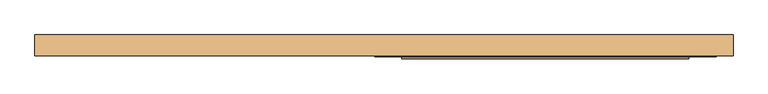
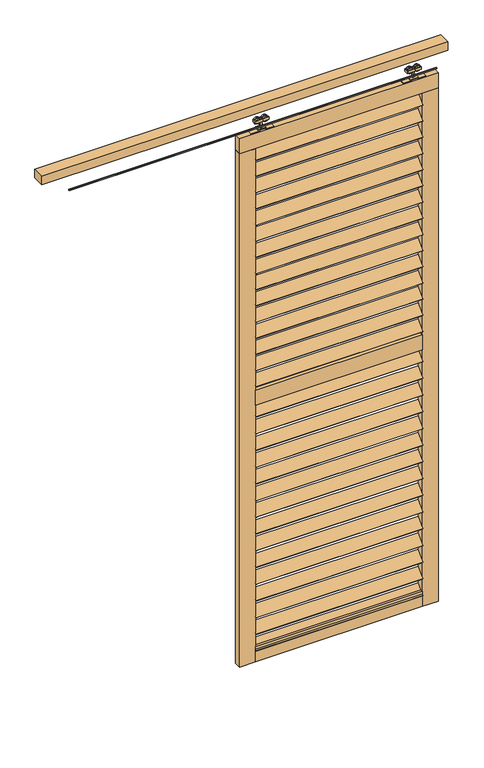
"""IFC4 building model written with IfcOpenShell, lengths in millimetres: door geometry."""

import ifcopenshell
import ifcopenshell.guid

model = None  # the IFC model being written
_history = None  # IfcOwnerHistory: only IFC2X3 demands one
_inside = {}  # id of a spatial element -> (the spatial element, [elements in it])
_under = {}  # id of a project, library or spatial element -> (it, [spatial elements below it])
_declared = {}  # id of a project -> (the project, [libraries it declares])
_typed = {}  # id of a type object -> (the type object, [elements of that type])
_made_of = {}  # id of a material, layer set ... -> (it, [elements and type objects made of it])


def new_model(schema):
    """Start an empty IFC model of exactly this schema.

    Asked for "IFC4X3", IfcOpenShell would pick the latest addendum, in which some entities
    have other attributes; the version numbers below select the first issue.
    IFC2X3 requires an IfcOwnerHistory on every rooted entity: one is made here for all.
    """
    global model, _history
    if schema == "IFC4X3":
        model = ifcopenshell.file(schema_version=(4, 3, 0, 0))
    else:
        model = ifcopenshell.file(schema=schema)
    _inside.clear()
    _under.clear()
    _declared.clear()
    _typed.clear()
    _made_of.clear()
    _history = None
    if model.schema == "IFC2X3":
        org = make("IfcOrganization", Name="unknown")
        user = make(
            "IfcPersonAndOrganization",
            ThePerson=make("IfcPerson", FamilyName="unknown"),
            TheOrganization=org,
        )
        app = make(
            "IfcApplication",
            ApplicationDeveloper=org,
            Version="unknown",
            ApplicationFullName="unknown",
            ApplicationIdentifier="unknown",
        )
        _history = make(
            "IfcOwnerHistory",
            OwningUser=user,
            OwningApplication=app,
            ChangeAction="ADDED",
            CreationDate=0,
        )
    return model


def make(cls, **values):
    """One entity of the class cls with the attributes given. An attribute that is None is left unset."""
    return model.create_entity(
        cls, **{name: value for name, value in values.items() if value is not None}
    )


def rooted(cls, **values):
    """An entity with a GlobalId (a new one), such as an element, a storey or a relation."""
    return make(cls, GlobalId=ifcopenshell.guid.new(), OwnerHistory=_history, **values)


def si_unit(unit_type, name, prefix=None):
    """IfcSIUnit, for example si_unit("LENGTHUNIT", "METRE", prefix="MILLI")."""
    return make("IfcSIUnit", UnitType=unit_type, Prefix=prefix, Name=name)


def assignment(units):
    """IfcUnitAssignment: the units of a project."""
    return None if units is None else make("IfcUnitAssignment", Units=units)


def point(xyz):
    """IfcCartesianPoint."""
    return None if xyz is None else make("IfcCartesianPoint", Coordinates=xyz)


def direction(xyz):
    """IfcDirection."""
    return None if xyz is None else make("IfcDirection", DirectionRatios=xyz)


def frame(location, z_axis=None, x_axis=None):
    """IfcAxis2Placement3D, a coordinate frame: its origin and axes. An axis left out is left unset."""
    return make(
        "IfcAxis2Placement3D",
        Location=point(location),
        Axis=direction(z_axis),
        RefDirection=direction(x_axis),
    )


def frame_2d(location, x_axis=None):
    """IfcAxis2Placement2D, a coordinate frame in the plane: its origin and x axis."""
    return make(
        "IfcAxis2Placement2D", Location=point(location), RefDirection=direction(x_axis)
    )


def origin():
    """The frame at (0, 0, 0) with its axes left unset."""
    return frame((0.0, 0.0, 0.0))


def place(relative_to, where):
    """IfcLocalPlacement: puts the frame where relative to a parent placement (None: the world)."""
    return make(
        "IfcLocalPlacement", PlacementRelTo=relative_to, RelativePlacement=where
    )


def context(
    kind, dimensions, precision=None, world=None, true_north=None, identifier=None
):
    """IfcGeometricRepresentationContext, for example the 3D "Model" context."""
    return make(
        "IfcGeometricRepresentationContext",
        ContextIdentifier=identifier,
        ContextType=kind,
        CoordinateSpaceDimension=dimensions,
        Precision=precision,
        WorldCoordinateSystem=world,
        TrueNorth=true_north,
    )


def project(units=None, contexts=None):
    """IfcProject with its units and contexts."""
    return rooted(
        "IfcProject",
        Name="project",
        RepresentationContexts=contexts,
        UnitsInContext=assignment(units),
    )


def spatial(cls, under=None, at=None, **own):
    """A site, building, storey or space (cls), placed at a placement, below another one or the project."""
    s = rooted(cls, ObjectPlacement=at, **own)
    if under is not None:
        _under.setdefault(under.id(), (under, []))[1].append(s)
    return s


def polyline(points):
    """IfcPolyline through the points."""
    return make("IfcPolyline", Points=[point(p) for p in points])


def circle_curve(where, radius):
    """IfcCircle in the frame where."""
    return make("IfcCircle", Position=where, Radius=radius)


def trimmed(basis, trim1, trim2, sense, master):
    """IfcTrimmedCurve: the piece of a basis curve between two trims."""
    return make(
        "IfcTrimmedCurve",
        BasisCurve=basis,
        Trim1=trim1,
        Trim2=trim2,
        SenseAgreement=sense,
        MasterRepresentation=master,
    )


def segment(curve, same_sense, transition):
    """IfcCompositeCurveSegment."""
    return make(
        "IfcCompositeCurveSegment",
        Transition=transition,
        SameSense=same_sense,
        ParentCurve=curve,
    )


def composite_curve(segments, self_intersect=None):
    """IfcCompositeCurve: segments joined end to end."""
    return make("IfcCompositeCurve", Segments=segments, SelfIntersect=self_intersect)


def outline(outer, holes=None, kind="AREA"):
    """IfcArbitraryClosedProfileDef: a profile drawn as a closed curve; with holes, ...WithVoids."""
    if holes is None:
        return make("IfcArbitraryClosedProfileDef", ProfileType=kind, OuterCurve=outer)
    return make(
        "IfcArbitraryProfileDefWithVoids",
        ProfileType=kind,
        OuterCurve=outer,
        InnerCurves=holes,
    )


def extrude(swept, where, along, depth):
    """IfcExtrudedAreaSolid: the profile swept, set in the frame where, extruded along a direction by depth."""
    return make(
        "IfcExtrudedAreaSolid",
        SweptArea=swept,
        Position=where,
        ExtrudedDirection=direction(along),
        Depth=depth,
    )


def shape(context_of_items, identifier, shape_type, items):
    """IfcShapeRepresentation: the items that make up one representation, for example the "Body"."""
    return make(
        "IfcShapeRepresentation",
        ContextOfItems=context_of_items,
        RepresentationIdentifier=identifier,
        RepresentationType=shape_type,
        Items=items,
    )


def source(mapping_origin, context_of_items, identifier, shape_type, items):
    """IfcRepresentationMap: a shape defined once, which mapped items show again and again."""
    return make(
        "IfcRepresentationMap",
        MappingOrigin=mapping_origin,
        MappedRepresentation=shape(context_of_items, identifier, shape_type, items),
    )


def transform(
    local_origin,
    x_axis=None,
    y_axis=None,
    z_axis=None,
    scale=None,
    scale2=None,
    scale3=None,
    uniform=True,
):
    """IfcCartesianTransformationOperator3D, or its non-uniform kind. x_axis, y_axis, z_axis: its Axis1, 2, 3."""
    if uniform:
        return make(
            "IfcCartesianTransformationOperator3D",
            Axis1=direction(x_axis),
            Axis2=direction(y_axis),
            LocalOrigin=point(local_origin),
            Scale=scale,
            Axis3=direction(z_axis),
        )
    return make(
        "IfcCartesianTransformationOperator3DnonUniform",
        Axis1=direction(x_axis),
        Axis2=direction(y_axis),
        LocalOrigin=point(local_origin),
        Scale=scale,
        Axis3=direction(z_axis),
        Scale2=scale2,
        Scale3=scale3,
    )


def mapped(mapping_source, mapping_target):
    """IfcMappedItem: shows the shape of a source again, moved by a transform."""
    return make(
        "IfcMappedItem", MappingSource=mapping_source, MappingTarget=mapping_target
    )


def made_of(thing, what):
    """Note that an element or type object is made of a material, layer set ...; save() writes the relation."""
    if what is not None:
        _made_of.setdefault(what.id(), (what, []))[1].append(thing)
    return thing


def element(
    cls,
    number,
    at=None,
    inside=None,
    cuts=None,
    type_object=None,
    material=None,
    context=None,
    identifier="Body",
    shape_type=None,
    held_by="IfcProductDefinitionShape",
    body=None,
    shapes=None,
    **own,
):
    """One element of the class cls, such as IfcWall. Its Tag is "e" and its number.

    at: its placement. inside: the storey or other place that contains it. cuts: it is an
    opening in that element (IfcRelVoidsElement). A single representation is given by context,
    identifier, shape_type and body (its items); several are given by shapes. held_by: the class
    of the entity that holds the representations. save() writes the other relations.
    """
    e = rooted(cls, Tag="e%d" % number, ObjectPlacement=at, **own)
    if body is not None:
        shapes = [shape(context, identifier, shape_type, body)]
    if shapes is not None:
        e.Representation = make(held_by, Representations=shapes)
    if inside is not None:
        _inside.setdefault(inside.id(), (inside, []))[1].append(e)
    if cuts is not None:
        rooted(
            "IfcRelVoidsElement", RelatingBuildingElement=cuts, RelatedOpeningElement=e
        )
    if type_object is not None:
        _typed.setdefault(type_object.id(), (type_object, []))[1].append(e)
    return made_of(e, material)


def aggregate(whole, parts):
    """IfcRelAggregates: a whole, such as a stair, and the parts it consists of."""
    return rooted("IfcRelAggregates", RelatingObject=whole, RelatedObjects=parts)


def save(model, path):
    """Write the relations noted so far, then the file.

    IfcRelAggregates (storeys below a building ...), IfcRelContainedInSpatialStructure (elements
    in a storey), IfcRelDefinesByType, IfcRelAssociatesMaterial and IfcRelDeclares: one each for
    every whole, place, type object, material and project.
    """
    for whole, parts in _under.values():
        aggregate(whole, parts)
    for where, things in _inside.values():
        rooted(
            "IfcRelContainedInSpatialStructure",
            RelatedElements=things,
            RelatingStructure=where,
        )
    for kind, things in _typed.values():
        rooted("IfcRelDefinesByType", RelatedObjects=things, RelatingType=kind)
    for what, things in _made_of.values():
        rooted("IfcRelAssociatesMaterial", RelatedObjects=things, RelatingMaterial=what)
    for by, libraries in _declared.values():
        rooted("IfcRelDeclares", RelatingContext=by, RelatedDefinitions=libraries)
    model.write(path)


def door_2e04532c(model_context):
    return source(origin(), model_context, "Body", "SweptSolid", [
        extrude(outline(polyline([(0.0, -5.0), (0.0, 0.0), (840.0, 0.0), (840.0, -5.0), (0.0, -5.0)])), frame((77.5, -24.1880102, 2621.9118868), z_axis=(0.0, 0.7071067811865482, 0.707106781186547), x_axis=(1.0, 0.0, 0.0)), (0.0, 0.0, 1.0), 60.0),
        extrude(outline(polyline([(0.0, -5.0), (0.0, 0.0), (840.0, 0.0), (840.0, -5.0), (0.0, -5.0)])), frame((77.5, -24.1880102, 2535.8047439), z_axis=(0.0, 0.7071067811865482, 0.707106781186547), x_axis=(1.0, 0.0, 0.0)), (0.0, 0.0, 1.0), 60.0),
        extrude(outline(polyline([(0.0, -5.0), (0.0, 0.0), (840.0, 0.0), (840.0, -5.0), (0.0, -5.0)])), frame((77.5, -24.1880102, 2449.697601), z_axis=(0.0, 0.7071067811865482, 0.707106781186547), x_axis=(1.0, 0.0, 0.0)), (0.0, 0.0, 1.0), 60.0),
        extrude(outline(polyline([(0.0, -5.0), (0.0, 0.0), (840.0, 0.0), (840.0, -5.0), (0.0, -5.0)])), frame((77.5, -24.1880102, 2363.5904582), z_axis=(0.0, 0.7071067811865482, 0.707106781186547), x_axis=(1.0, 0.0, 0.0)), (0.0, 0.0, 1.0), 60.0),
        extrude(outline(polyline([(0.0, -5.0), (0.0, 0.0), (840.0, 0.0), (840.0, -5.0), (0.0, -5.0)])), frame((77.5, -24.1880102, 1253.5547439), z_axis=(0.0, 0.7071067811865482, 0.707106781186547), x_axis=(1.0, 0.0, 0.0)), (0.0, 0.0, 1.0), 60.0),
        extrude(outline(polyline([(0.0, -5.0), (0.0, 0.0), (840.0, 0.0), (840.0, -5.0), (0.0, -5.0)])), frame((77.5, -24.1880102, 1164.5904582), z_axis=(0.0, 0.7071067811865482, 0.707106781186547), x_axis=(1.0, 0.0, 0.0)), (0.0, 0.0, 1.0), 60.0),
        extrude(outline(polyline([(0.0, -5.0), (0.0, 0.0), (840.0, 0.0), (840.0, -5.0), (0.0, -5.0)])), frame((77.5, -24.1880102, 1075.6261725), z_axis=(0.0, 0.7071067811865482, 0.707106781186547), x_axis=(1.0, 0.0, 0.0)), (0.0, 0.0, 1.0), 60.0),
        extrude(outline(polyline([(0.0, -5.0), (0.0, 0.0), (840.0, 0.0), (840.0, -5.0), (0.0, -5.0)])), frame((77.5, -24.1880102, 986.6618868), z_axis=(0.0, 0.7071067811865482, 0.707106781186547), x_axis=(1.0, 0.0, 0.0)), (0.0, 0.0, 1.0), 60.0),
        extrude(outline(polyline([(0.0, -5.0), (0.0, 0.0), (840.0, 0.0), (840.0, -5.0), (0.0, -5.0)])), frame((77.5, -24.1880102, 2277.4833153), z_axis=(0.0, 0.7071067811865482, 0.707106781186547), x_axis=(1.0, 0.0, 0.0)), (0.0, 0.0, 1.0), 60.0),
        extrude(outline(polyline([(0.0, -5.0), (0.0, 0.0), (840.0, 0.0), (840.0, -5.0), (0.0, -5.0)])), frame((77.5, -24.1880102, 2191.3761725), z_axis=(0.0, 0.7071067811865482, 0.707106781186547), x_axis=(1.0, 0.0, 0.0)), (0.0, 0.0, 1.0), 60.0),
        extrude(outline(polyline([(0.0, -5.0), (0.0, 0.0), (840.0, 0.0), (840.0, -5.0), (0.0, -5.0)])), frame((77.5, -24.1880102, 2105.2690296), z_axis=(0.0, 0.7071067811865482, 0.707106781186547), x_axis=(1.0, 0.0, 0.0)), (0.0, 0.0, 1.0), 60.0),
        extrude(outline(polyline([(0.0, -5.0), (0.0, 0.0), (840.0, 0.0), (840.0, -5.0), (0.0, -5.0)])), frame((77.5, -24.1880102, 2019.1618868), z_axis=(0.0, 0.7071067811865482, 0.707106781186547), x_axis=(1.0, 0.0, 0.0)), (0.0, 0.0, 1.0), 60.0),
        extrude(outline(polyline([(0.0, -5.0), (0.0, 0.0), (840.0, 0.0), (840.0, -5.0), (0.0, -5.0)])), frame((77.5, -24.1880102, 897.697601), z_axis=(0.0, 0.7071067811865482, 0.707106781186547), x_axis=(1.0, 0.0, 0.0)), (0.0, 0.0, 1.0), 60.0),
        extrude(outline(polyline([(0.0, -5.0), (0.0, 0.0), (840.0, 0.0), (840.0, -5.0), (0.0, -5.0)])), frame((77.5, -24.1880102, 808.7333153), z_axis=(0.0, 0.7071067811865482, 0.707106781186547), x_axis=(1.0, 0.0, 0.0)), (0.0, 0.0, 1.0), 60.0),
        extrude(outline(polyline([(0.0, -5.0), (0.0, 0.0), (840.0, 0.0), (840.0, -5.0), (0.0, -5.0)])), frame((77.5, -24.1880102, 719.7690296), z_axis=(0.0, 0.7071067811865482, 0.707106781186547), x_axis=(1.0, 0.0, 0.0)), (0.0, 0.0, 1.0), 60.0),
        extrude(outline(polyline([(0.0, -5.0), (0.0, 0.0), (840.0, 0.0), (840.0, -5.0), (0.0, -5.0)])), frame((77.5, -24.1880102, 630.8047439), z_axis=(0.0, 0.7071067811865482, 0.707106781186547), x_axis=(1.0, 0.0, 0.0)), (0.0, 0.0, 1.0), 60.0),
        extrude(outline(polyline([(0.0, -5.0), (0.0, 0.0), (840.0, 0.0), (840.0, -5.0), (0.0, -5.0)])), frame((77.5, -24.1880102, 1933.0547439), z_axis=(0.0, 0.7071067811865482, 0.707106781186547), x_axis=(1.0, 0.0, 0.0)), (0.0, 0.0, 1.0), 60.0),
        extrude(outline(polyline([(0.0, -5.0), (0.0, 0.0), (840.0, 0.0), (840.0, -5.0), (0.0, -5.0)])), frame((77.5, -24.1880102, 1846.947601), z_axis=(0.0, 0.7071067811865482, 0.707106781186547), x_axis=(1.0, 0.0, 0.0)), (0.0, 0.0, 1.0), 60.0),
        extrude(outline(polyline([(0.0, -5.0), (0.0, 0.0), (840.0, 0.0), (840.0, -5.0), (0.0, -5.0)])), frame((77.5, -24.1880102, 1760.8404582), z_axis=(0.0, 0.7071067811865482, 0.707106781186547), x_axis=(1.0, 0.0, 0.0)), (0.0, 0.0, 1.0), 60.0),
        extrude(outline(polyline([(0.0, -5.0), (0.0, 0.0), (840.0, 0.0), (840.0, -5.0), (0.0, -5.0)])), frame((77.5, -24.1880102, 1674.7333153), z_axis=(0.0, 0.7071067811865482, 0.707106781186547), x_axis=(1.0, 0.0, 0.0)), (0.0, 0.0, 1.0), 60.0),
        extrude(outline(polyline([(0.0, -5.0), (0.0, 0.0), (840.0, 0.0), (840.0, -5.0), (0.0, -5.0)])), frame((77.5, -24.1880102, 1588.6261725), z_axis=(0.0, 0.7071067811865482, 0.707106781186547), x_axis=(1.0, 0.0, 0.0)), (0.0, 0.0, 1.0), 60.0),
        extrude(outline(polyline([(0.0, -5.0), (0.0, 0.0), (840.0, 0.0), (840.0, -5.0), (0.0, -5.0)])), frame((77.5, -24.1880102, 2708.0190296), z_axis=(0.0, 0.7071067811865482, 0.707106781186547), x_axis=(1.0, 0.0, 0.0)), (0.0, 0.0, 1.0), 60.0),
        extrude(outline(polyline([(0.0, -5.0), (0.0, 0.0), (840.0, 0.0), (840.0, -5.0), (0.0, -5.0)])), frame((77.5, -24.1880102, 1502.5190296), z_axis=(0.0, 0.7071067811865482, 0.707106781186547), x_axis=(1.0, 0.0, 0.0)), (0.0, 0.0, 1.0), 60.0),
        extrude(outline(polyline([(0.0, -5.0), (0.0, 0.0), (840.0, 0.0), (840.0, -5.0), (0.0, -5.0)])), frame((77.5, -24.1880102, 541.8404582), z_axis=(0.0, 0.7071067811865482, 0.707106781186547), x_axis=(1.0, 0.0, 0.0)), (0.0, 0.0, 1.0), 60.0),
        extrude(outline(polyline([(0.0, -5.0), (0.0, 0.0), (840.0, 0.0), (840.0, -5.0), (0.0, -5.0)])), frame((77.5, -24.1880102, 452.8761725), z_axis=(0.0, 0.7071067811865482, 0.707106781186547), x_axis=(1.0, 0.0, 0.0)), (0.0, 0.0, 1.0), 60.0),
        extrude(outline(polyline([(0.0, -5.0), (0.0, 0.0), (840.0, 0.0), (840.0, -5.0), (0.0, -5.0)])), frame((77.5, -24.1880102, 363.9118868), z_axis=(0.0, 0.7071067811865482, 0.707106781186547), x_axis=(1.0, 0.0, 0.0)), (0.0, 0.0, 1.0), 60.0),
        extrude(outline(polyline([(0.0, -5.0), (0.0, 0.0), (840.0, 0.0), (840.0, -5.0), (0.0, -5.0)])), frame((77.5, -24.1880102, 274.947601), z_axis=(0.0, 0.7071067811865482, 0.707106781186547), x_axis=(1.0, 0.0, 0.0)), (0.0, 0.0, 1.0), 60.0),
        extrude(outline(polyline([(0.0, -5.0), (0.0, 0.0), (840.0, 0.0), (840.0, -5.0), (0.0, -5.0)])), frame((77.5, -24.1880102, 185.9833153), z_axis=(0.0, 0.7071067811865482, 0.707106781186547), x_axis=(1.0, 0.0, 0.0)), (0.0, 0.0, 1.0), 60.0),
        extrude(outline(polyline([(0.0, -5.0), (0.0, 0.0), (840.0, 0.0), (840.0, -5.0), (0.0, -5.0)])), frame((77.5, -24.1880102, 1342.5190296), z_axis=(0.0, 0.7071067811865482, 0.707106781186547), x_axis=(1.0, 0.0, 0.0)), (0.0, 0.0, 1.0), 60.0),
        extrude(outline(polyline([(0.0, -5.0), (0.0, 0.0), (840.0, 0.0), (840.0, -5.0), (0.0, -5.0)])), frame((77.5, -24.1880102, 97.0190296), z_axis=(0.0, 0.7071067811865482, 0.707106781186547), x_axis=(1.0, 0.0, 0.0)), (0.0, 0.0, 1.0), 60.0),
        extrude(outline(polyline([(917.5, -22.2425737), (77.5, -22.2425737), (77.5, 12.7574263), (917.5, 12.7574263), (917.5, -22.2425737)])), frame((0.0, 0.0, 1405.5), z_axis=(0.0, 0.0, 1.0), x_axis=(1.0, 0.0, 0.0)), (0.0, 0.0, 1.0), 80.0),
        extrude(outline(polyline([(917.5, -22.2425737), (77.5, -22.2425737), (77.5, 12.7574263), (917.5, 12.7574263), (917.5, -22.2425737)])), frame((0.0, 0.0, 40.0), z_axis=(0.0, 0.0, 1.0), x_axis=(1.0, 0.0, 0.0)), (0.0, 0.0, 1.0), 80.0),
        extrude(outline(polyline([(997.5, -22.2425737), (-2.5, -22.2425737), (-2.5, 12.7574263), (997.5, 12.7574263), (997.5, -22.2425737)])), frame((0.0, 0.0, 2771.0), z_axis=(0.0, 0.0, 1.0), x_axis=(1.0, 0.0, 0.0)), (0.0, 0.0, 1.0), 80.0),
        extrude(outline(polyline([(77.5, -22.2425737), (-2.5, -22.2425737), (-2.5, 12.7574263), (77.5, 12.7574263), (77.5, -22.2425737)])), frame((0.0, 0.0, 40.0), z_axis=(0.0, 0.0, 1.0), x_axis=(1.0, 0.0, 0.0)), (0.0, 0.0, 1.0), 2731.0),
        extrude(outline(polyline([(997.5, -22.2425737), (917.5, -22.2425737), (917.5, 12.7574263), (997.5, 12.7574263), (997.5, -22.2425737)])), frame((0.0, 0.0, 40.0), z_axis=(0.0, 0.0, 1.0), x_axis=(1.0, 0.0, 0.0)), (0.0, 0.0, 1.0), 2731.0),
        extrude(outline(composite_curve([segment(trimmed(circle_curve(frame_2d((2904.430297, 95.75)), 13.5), [point((2904.430297, 82.25))], [point((2904.430297, 109.25))], False, "CARTESIAN"), True, "CONTINUOUS"), segment(trimmed(circle_curve(frame_2d((2904.430297, 95.75)), 13.5), [point((2904.430297, 109.25))], [point((2904.430297, 82.25))], False, "CARTESIAN"), True, "CONTINUOUS")], self_intersect=False)), frame((0.0, -13.9509888, 0.0), z_axis=(0.0, 1.0, 0.0), x_axis=(0.0, 0.0, 1.0)), (0.0, 0.0, 1.0), 5.2084151),
        extrude(outline(composite_curve([segment(trimmed(circle_curve(frame_2d((2904.430297, 133.25)), 13.5), [point((2904.430297, 146.75))], [point((2904.430297, 119.75))], False, "CARTESIAN"), True, "CONTINUOUS"), segment(trimmed(circle_curve(frame_2d((2904.430297, 133.25)), 13.5), [point((2904.430297, 119.75))], [point((2904.430297, 146.75))], False, "CARTESIAN"), True, "CONTINUOUS")], self_intersect=False)), frame((0.0, -13.9509888, 0.0), z_axis=(0.0, 1.0, 0.0), x_axis=(0.0, 0.0, 1.0)), (0.0, 0.0, 1.0), 5.2084151),
        extrude(outline(composite_curve([segment(trimmed(circle_curve(frame_2d((2904.430297, 95.75)), 13.5), [point((2904.430297, 82.25))], [point((2904.430297, 109.25))], False, "CARTESIAN"), True, "CONTINUOUS"), segment(trimmed(circle_curve(frame_2d((2904.430297, 95.75)), 13.5), [point((2904.430297, 109.25))], [point((2904.430297, 82.25))], False, "CARTESIAN"), True, "CONTINUOUS")], self_intersect=False)), frame((0.0, -0.7425737, 0.0), z_axis=(0.0, 1.0, 0.0), x_axis=(0.0, 0.0, 1.0)), (0.0, 0.0, 1.0), 5.0880554),
        extrude(outline(composite_curve([segment(trimmed(circle_curve(frame_2d((2904.430297, 133.25)), 13.5), [point((2904.430297, 146.75))], [point((2904.430297, 119.75))], False, "CARTESIAN"), True, "CONTINUOUS"), segment(trimmed(circle_curve(frame_2d((2904.430297, 133.25)), 13.5), [point((2904.430297, 119.75))], [point((2904.430297, 146.75))], False, "CARTESIAN"), True, "CONTINUOUS")], self_intersect=False)), frame((0.0, -0.7425737, 0.0), z_axis=(0.0, 1.0, 0.0), x_axis=(0.0, 0.0, 1.0)), (0.0, 0.0, 1.0), 5.0880554),
        extrude(outline(polyline([(79.5, -15.2425737), (79.5, 5.7574263), (149.5, 5.7574263), (149.5, -15.2425737), (79.5, -15.2425737)])), frame((0.0, 0.0, 2896.5), z_axis=(0.0, 0.0, 1.0), x_axis=(1.0, 0.0, 0.0)), (0.0, 0.0, 1.0), 13.0),
        extrude(outline(polyline([(110.5, -8.7425737), (110.5, -0.7425737), (118.5, -0.7425737), (118.5, -8.7425737), (110.5, -8.7425737)])), frame((0.0, 0.0, 2855.0), z_axis=(0.0, 0.0, 1.0), x_axis=(1.0, 0.0, 0.0)), (0.0, 0.0, 1.0), 56.0),
        extrude(outline(polyline([(2855.0, 171.5), (2855.0, 133.5), (2861.0, 133.5), (2861.0, 95.5), (2855.0, 95.5), (2855.0, 57.5), (2851.0, 57.5), (2851.0, 99.5), (2857.0, 99.5), (2857.0, 129.5), (2851.0, 129.5), (2851.0, 171.5), (2855.0, 171.5)])), frame((0.0, -17.7425737, 0.0), z_axis=(0.0, 1.0, 0.0), x_axis=(0.0, 0.0, 1.0)), (0.0, 0.0, 1.0), 26.0),
        extrude(outline(composite_curve([segment(trimmed(circle_curve(frame_2d((2904.430297, 899.25)), 13.5), [point((2904.430297, 912.75))], [point((2904.430297, 885.75))], False, "CARTESIAN"), True, "CONTINUOUS"), segment(trimmed(circle_curve(frame_2d((2904.430297, 899.25)), 13.5), [point((2904.430297, 885.75))], [point((2904.430297, 912.75))], False, "CARTESIAN"), True, "CONTINUOUS")], self_intersect=False)), frame((0.0, -13.9509888, 0.0), z_axis=(0.0, 1.0, 0.0), x_axis=(0.0, 0.0, 1.0)), (0.0, 0.0, 1.0), 5.2084151),
        extrude(outline(composite_curve([segment(trimmed(circle_curve(frame_2d((2904.430297, 861.75)), 13.5), [point((2904.430297, 848.25))], [point((2904.430297, 875.25))], False, "CARTESIAN"), True, "CONTINUOUS"), segment(trimmed(circle_curve(frame_2d((2904.430297, 861.75)), 13.5), [point((2904.430297, 875.25))], [point((2904.430297, 848.25))], False, "CARTESIAN"), True, "CONTINUOUS")], self_intersect=False)), frame((0.0, -13.9509888, 0.0), z_axis=(0.0, 1.0, 0.0), x_axis=(0.0, 0.0, 1.0)), (0.0, 0.0, 1.0), 5.2084151),
        extrude(outline(composite_curve([segment(trimmed(circle_curve(frame_2d((2904.430297, 899.25)), 13.5), [point((2904.430297, 912.75))], [point((2904.430297, 885.75))], False, "CARTESIAN"), True, "CONTINUOUS"), segment(trimmed(circle_curve(frame_2d((2904.430297, 899.25)), 13.5), [point((2904.430297, 885.75))], [point((2904.430297, 912.75))], False, "CARTESIAN"), True, "CONTINUOUS")], self_intersect=False)), frame((0.0, -0.7425737, 0.0), z_axis=(0.0, 1.0, 0.0), x_axis=(0.0, 0.0, 1.0)), (0.0, 0.0, 1.0), 5.0880554),
        extrude(outline(composite_curve([segment(trimmed(circle_curve(frame_2d((2904.430297, 861.75)), 13.5), [point((2904.430297, 848.25))], [point((2904.430297, 875.25))], False, "CARTESIAN"), True, "CONTINUOUS"), segment(trimmed(circle_curve(frame_2d((2904.430297, 861.75)), 13.5), [point((2904.430297, 875.25))], [point((2904.430297, 848.25))], False, "CARTESIAN"), True, "CONTINUOUS")], self_intersect=False)), frame((0.0, -0.7425737, 0.0), z_axis=(0.0, 1.0, 0.0), x_axis=(0.0, 0.0, 1.0)), (0.0, 0.0, 1.0), 5.0880554),
        extrude(outline(polyline([(915.5, -15.2425737), (845.5, -15.2425737), (845.5, 5.7574263), (915.5, 5.7574263), (915.5, -15.2425737)])), frame((0.0, 0.0, 2896.5), z_axis=(0.0, 0.0, 1.0), x_axis=(1.0, 0.0, 0.0)), (0.0, 0.0, 1.0), 13.0),
        extrude(outline(polyline([(884.5, -8.7425737), (876.5, -8.7425737), (876.5, -0.7425737), (884.5, -0.7425737), (884.5, -8.7425737)])), frame((0.0, 0.0, 2855.0), z_axis=(0.0, 0.0, 1.0), x_axis=(1.0, 0.0, 0.0)), (0.0, 0.0, 1.0), 56.0),
        extrude(outline(polyline([(2855.0, 823.5), (2851.0, 823.5), (2851.0, 865.5), (2857.0, 865.5), (2857.0, 895.5), (2851.0, 895.5), (2851.0, 937.5), (2855.0, 937.5), (2855.0, 899.5), (2861.0, 899.5), (2861.0, 861.5), (2855.0, 861.5), (2855.0, 823.5)])), frame((0.0, -17.7425737, 0.0), z_axis=(0.0, 1.0, 0.0), x_axis=(0.0, 0.0, 1.0)), (0.0, 0.0, 1.0), 26.0),
        extrude(outline(polyline([(995.5, -14.7394005), (-857.5, -14.7394005), (-857.5, -10.9693523), (995.5, -10.9693523), (995.5, -14.7394005)])), frame((0.0, 0.0, 2868.3008197), z_axis=(0.0, 0.0, 1.0), x_axis=(1.0, 0.0, 0.0)), (0.0, 0.0, 1.0), 6.6991803),
        extrude(outline(polyline([(1047.5, 42.0), (1047.5, -19.7), (-997.5, -19.7), (-997.5, 42.0), (1047.5, 42.0)])), frame((0.0, 0.0, 2952.0), z_axis=(0.0, 0.0, 1.0), x_axis=(1.0, 0.0, 0.0)), (0.0, 0.0, 1.0), 45.0),
    ])


if __name__ == "__main__":
    model = new_model("IFC4")
    model_context = context("Model", 3, world=origin())
    ifc_project = project(units=[si_unit("LENGTHUNIT", "METRE", prefix="MILLI")], contexts=[model_context])
    site = spatial("IfcSite", under=ifc_project)
    building = spatial("IfcBuilding", under=site)
    placement = place(None, origin())
    door_shape = door_2e04532c(model_context)
    element("IfcDoor", 1, at=placement, inside=building, context=model_context, shape_type="MappedRepresentation", body=[
        mapped(door_shape, transform((0.0, 0.0, 0.0), x_axis=(1.0, 0.0, 0.0), y_axis=(0.0, 1.0, 0.0), z_axis=(0.0, 0.0, 1.0))),
    ])
    save(model, "model.ifc")
